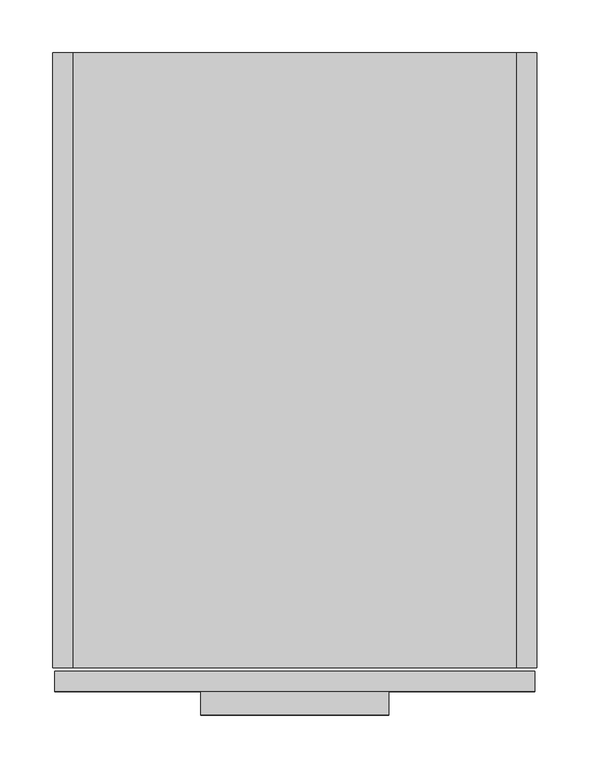
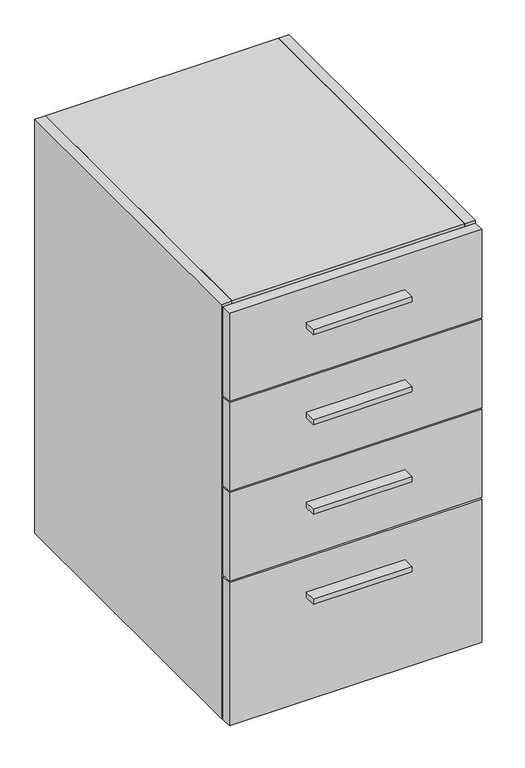
"""IFC4 building model written with IfcOpenShell, lengths in millimetres: furniture geometry."""

from ifc_helpers import new_model, si_unit, frame, origin, place, context, project, spatial, polyline, outline, extrude, source, transform, mapped, element, save


def furniture_d4eaaee2(model_context):
    return source(origin(), model_context, "Body", "SweptSolid", [
        extrude(outline(polyline([(317.5, -625.729), (139.7, -625.729), (139.7, -603.504), (317.5, -603.504), (317.5, -625.729)])), frame((0.0, 0.0, 297.3451), z_axis=(0.0, 0.0, 1.0), x_axis=(1.0, 0.0, 0.0)), (0.0, 0.0, 1.0), 9.525),
        extrude(outline(polyline([(317.5, -625.729), (139.7, -625.729), (139.7, -603.504), (317.5, -603.504), (317.5, -625.729)])), frame((0.0, 0.0, 809.9425), z_axis=(0.0, 0.0, 1.0), x_axis=(1.0, 0.0, 0.0)), (0.0, 0.0, 1.0), 9.525),
        extrude(outline(polyline([(317.5, -625.729), (139.7, -625.729), (139.7, -603.504), (317.5, -603.504), (317.5, -625.729)])), frame((0.0, 0.0, 639.0767), z_axis=(0.0, 0.0, 1.0), x_axis=(1.0, 0.0, 0.0)), (0.0, 0.0, 1.0), 9.525),
        extrude(outline(polyline([(317.5, -625.729), (139.7, -625.729), (139.7, -603.504), (317.5, -603.504), (317.5, -625.729)])), frame((0.0, 0.0, 468.2109), z_axis=(0.0, 0.0, 1.0), x_axis=(1.0, 0.0, 0.0)), (0.0, 0.0, 1.0), 9.525),
        extrude(outline(polyline([(437.896, 0.0), (437.896, -19.304), (19.304, -19.304), (19.304, 0.0), (437.896, 0.0)])), frame((0.0, 0.0, 101.6), z_axis=(0.0, 0.0, 1.0), x_axis=(1.0, 0.0, 0.0)), (0.0, 0.0, 1.0), 768.096),
        extrude(outline(polyline([(437.896, -581.025), (19.304, -581.025), (19.304, -19.304), (437.896, -19.304), (437.896, -581.025)])), frame((0.0, 0.0, 101.6), z_axis=(0.0, 0.0, 1.0), x_axis=(1.0, 0.0, 0.0)), (0.0, 0.0, 1.0), 19.304),
        extrude(outline(polyline([(437.896, -581.025), (19.304, -581.025), (19.304, 0.0), (437.896, 0.0), (437.896, -581.025)])), frame((0.0, 0.0, 869.696), z_axis=(0.0, 0.0, 1.0), x_axis=(1.0, 0.0, 0.0)), (0.0, 0.0, 1.0), 19.304),
        extrude(outline(polyline([(19.304, 0.0), (19.304, -581.025), (0.0, -581.025), (0.0, 0.0), (19.304, 0.0)])), frame((0.0, 0.0, 101.6), z_axis=(0.0, 0.0, 1.0), x_axis=(1.0, 0.0, 0.0)), (0.0, 0.0, 1.0), 787.4),
        extrude(outline(polyline([(437.896, 0.0), (457.2, 0.0), (457.2, -581.025), (437.896, -581.025), (437.896, 0.0)])), frame((0.0, 0.0, 101.6), z_axis=(0.0, 0.0, 1.0), x_axis=(1.0, 0.0, 0.0)), (0.0, 0.0, 1.0), 787.4),
        extrude(outline(polyline([(455.6125, -603.504), (1.5875, -603.504), (1.5875, -584.2), (455.6125, -584.2), (455.6125, -603.504)])), frame((0.0, 0.0, 718.1342), z_axis=(0.0, 0.0, 1.0), x_axis=(1.0, 0.0, 0.0)), (0.0, 0.0, 1.0), 167.6908),
        extrude(outline(polyline([(455.6125, -603.504), (1.5875, -603.504), (1.5875, -584.2), (455.6125, -584.2), (455.6125, -603.504)])), frame((0.0, 0.0, 547.2684), z_axis=(0.0, 0.0, 1.0), x_axis=(1.0, 0.0, 0.0)), (0.0, 0.0, 1.0), 167.6908),
        extrude(outline(polyline([(455.6125, -603.504), (1.5875, -603.504), (1.5875, -584.2), (455.6125, -584.2), (455.6125, -603.504)])), frame((0.0, 0.0, 376.4026), z_axis=(0.0, 0.0, 1.0), x_axis=(1.0, 0.0, 0.0)), (0.0, 0.0, 1.0), 167.6908),
        extrude(outline(polyline([(455.6125, -603.504), (1.5875, -603.504), (1.5875, -584.2), (455.6125, -584.2), (455.6125, -603.504)])), frame((0.0, 0.0, 101.6), z_axis=(0.0, 0.0, 1.0), x_axis=(1.0, 0.0, 0.0)), (0.0, 0.0, 1.0), 271.6276),
    ])


if __name__ == "__main__":
    model = new_model("IFC4")
    model_context = context("Model", 3, world=origin())
    ifc_project = project(units=[si_unit("LENGTHUNIT", "METRE", prefix="MILLI")], contexts=[model_context])
    site = spatial("IfcSite", under=ifc_project)
    building = spatial("IfcBuilding", under=site)
    placement = place(None, origin())
    furniture_shape = furniture_d4eaaee2(model_context)
    element("IfcFurniture", 1, at=placement, inside=building, context=model_context, shape_type="MappedRepresentation", body=[
        mapped(furniture_shape, transform((0.0, 0.0, 0.0), x_axis=(1.0, 0.0, 0.0), y_axis=(0.0, 1.0, 0.0), z_axis=(0.0, 0.0, 1.0))),
    ])
    save(model, "model.ifc")
